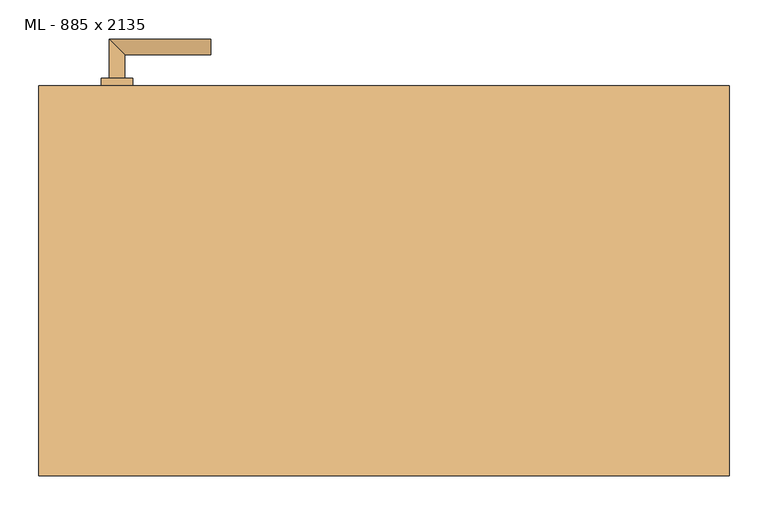
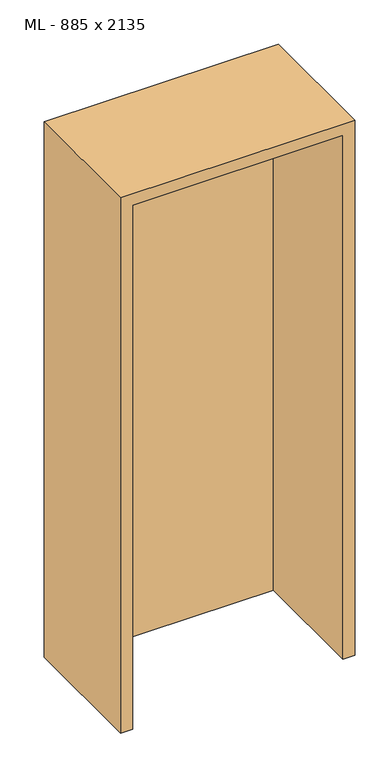
"""IFC4 building model written with IfcOpenShell, lengths in millimetres: door geometry, ML - 885 x 2135."""

from ifc_helpers import new_model, si_unit, point, frame, frame_2d, origin, origin_with_axes, place, context, project, spatial, polyline, circle_curve, ellipse_curve, trimmed, segment, composite_curve, outline, extrude, faceted_brep, source, transform, mapped, element, save
from ifc_brep_helpers import plane_surface, cylinder_surface, advanced_brep


def ml_885_x_2135_7caa8aa1(model_context):
    return source(origin(), model_context, "Body", "SolidModel", [
        extrude(outline(polyline([(408.5, 250.0), (408.5, 205.0), (-408.5, 205.0), (-408.5, 250.0), (408.5, 250.0)])), origin_with_axes(), (0.0, 0.0, 1.0), 2101.0),
        advanced_brep(
        [(-332.5, 260.0, 1050.0), (-352.5, 260.0, 1050.0), (-332.5, 290.0, 1050.0), (-352.5, 310.0, 1050.0), (-222.5, 290.0, 1050.0), (-222.5, 310.0, 1050.0)],
        [
            (0, 1, circle_curve(frame((-342.5, 260.0, 1050.0), z_axis=(0.0, -1.0, 0.0), x_axis=(-1.0, 0.0, 0.0)), 10.0)),
            (1, 0, circle_curve(frame((-342.5, 260.0, 1050.0), z_axis=(0.0, -1.0, 0.0), x_axis=(-1.0, 0.0, 0.0)), 10.0)),
            (0, 2),
            (2, 3, ellipse_curve(frame((-342.5, 300.0, 1050.0), z_axis=(-0.7071067811865531, -0.7071067811865419, 0.0), x_axis=(0.707106781186542, -0.707106781186553, 0.0)), 14.1421356, 10.0)),
            (3, 1),
            (3, 2, ellipse_curve(frame((-342.5, 300.0, 1050.0), z_axis=(-0.7071067811865531, -0.7071067811865419, 0.0), x_axis=(0.707106781186542, -0.707106781186553, 0.0)), 14.1421356, 10.0)),
            (4, 5, circle_curve(frame((-222.5, 300.0, 1050.0), z_axis=(1.0, 0.0, 0.0), x_axis=(0.0, 1.0, 0.0)), 10.0)),
            (5, 4, circle_curve(frame((-222.5, 300.0, 1050.0), z_axis=(1.0, 0.0, 0.0), x_axis=(0.0, 1.0, 0.0)), 10.0)),
            (2, 4),
            (5, 3),
        ],
        [
            plane_surface(frame((-342.5, 260.0, 1050.0), z_axis=(0.0, -1.0, 0.0), x_axis=(0.0, 0.0, 1.0))),
            cylinder_surface(frame((-342.5, 260.0, 1050.0), z_axis=(0.0, -1.0, 0.0), x_axis=(-1.0, 0.0, 0.0)), 10.0),
            plane_surface(frame((-222.5, 300.0, 1050.0), z_axis=(1.0, 0.0, 0.0), x_axis=(0.0, 0.0, 1.0))),
            cylinder_surface(frame((-342.5, 300.0, 1050.0), z_axis=(-1.0, 0.0, 0.0), x_axis=(0.0, 1.0, 0.0)), 10.0),
        ],
        [
            (0, [[1, 2]]),
            (1, [[-1, 3, 4, 5]]),
            (1, [[-2, -5, 6, -3]]),
            (2, [[7, 8]]),
            (3, [[-4, 9, -8, 10]]),
            (3, [[-6, -10, -7, -9]]),
        ],
    ),
        extrude(outline(composite_curve([segment(trimmed(circle_curve(frame_2d((990.0, -342.5)), 20.0), [point((990.0, -362.5))], [point((990.0, -322.5))], False, "CARTESIAN"), True, "CONTINUOUS"), segment(trimmed(circle_curve(frame_2d((990.0, -342.5)), 20.0), [point((990.0, -322.5))], [point((990.0, -362.5))], False, "CARTESIAN"), True, "CONTINUOUS")], self_intersect=False), holes=[composite_curve([segment(polyline([(976.4601385, -344.897268), (988.4749012, -344.897268)]), True, "CONTINUOUS"), segment(trimmed(circle_curve(frame_2d((995.0361633, -342.5)), 6.9854888), [point((988.4749012, -344.897268))], [point((988.4749012, -340.102732))], True, "CARTESIAN"), True, "CONTINUOUS"), segment(polyline([(988.4749012, -340.102732), (976.4601385, -340.102732)]), True, "CONTINUOUS"), segment(trimmed(circle_curve(frame_2d((976.4601385, -342.5)), 2.397268), [point((976.4601385, -340.102732))], [point((976.4601385, -344.897268))], True, "CARTESIAN"), True, "CONTINUOUS")], self_intersect=False)]), frame((0.0, 250.0, 0.0), z_axis=(0.0, 1.0, 0.0), x_axis=(0.0, 0.0, 1.0)), (0.0, 0.0, 1.0), 10.0),
        advanced_brep(
        [(-332.5, 260.0, 1050.0), (-352.5, 260.0, 1050.0), (-332.5, 290.0, 1050.0), (-352.5, 310.0, 1050.0), (-222.5, 290.0, 1050.0), (-222.5, 310.0, 1050.0)],
        [
            (0, 1, circle_curve(frame((-342.5, 260.0, 1050.0), z_axis=(0.0, -1.0, 0.0), x_axis=(-1.0, 0.0, 0.0)), 10.0)),
            (1, 0, circle_curve(frame((-342.5, 260.0, 1050.0), z_axis=(0.0, -1.0, 0.0), x_axis=(-1.0, 0.0, 0.0)), 10.0)),
            (0, 2),
            (2, 3, ellipse_curve(frame((-342.5, 300.0, 1050.0), z_axis=(-0.7071067811865537, -0.7071067811865414, 0.0), x_axis=(0.7071067811865414, -0.7071067811865536, 0.0)), 14.1421356, 10.0)),
            (3, 1),
            (3, 2, ellipse_curve(frame((-342.5, 300.0, 1050.0), z_axis=(-0.7071067811865537, -0.7071067811865414, 0.0), x_axis=(0.7071067811865414, -0.7071067811865536, 0.0)), 14.1421356, 10.0)),
            (4, 5, circle_curve(frame((-222.5, 300.0, 1050.0), z_axis=(1.0, 0.0, 0.0), x_axis=(0.0, 1.0, 0.0)), 10.0)),
            (5, 4, circle_curve(frame((-222.5, 300.0, 1050.0), z_axis=(1.0, 0.0, 0.0), x_axis=(0.0, 1.0, 0.0)), 10.0)),
            (2, 4),
            (5, 3),
        ],
        [
            plane_surface(frame((-342.5, 260.0, 1050.0), z_axis=(0.0, -1.0, 0.0), x_axis=(0.0, 0.0, 1.0))),
            cylinder_surface(frame((-342.5, 260.0, 1050.0), z_axis=(0.0, -1.0, 0.0), x_axis=(-1.0, 0.0, 0.0)), 10.0),
            plane_surface(frame((-222.5, 300.0, 1050.0), z_axis=(1.0, 0.0, 0.0), x_axis=(0.0, 0.0, 1.0))),
            cylinder_surface(frame((-342.5, 300.0, 1050.0), z_axis=(-1.0, 0.0, 0.0), x_axis=(0.0, 1.0, 0.0)), 10.0),
        ],
        [
            (0, [[1, 2]]),
            (1, [[-1, 3, 4, 5]]),
            (1, [[-2, -5, 6, -3]]),
            (2, [[7, 8]]),
            (3, [[-4, 9, -8, 10]]),
            (3, [[-6, -10, -7, -9]]),
        ],
    ),
        extrude(outline(composite_curve([segment(trimmed(circle_curve(frame_2d((1050.0, -342.5)), 20.0), [point((1050.0, -362.5))], [point((1050.0, -322.5))], False, "CARTESIAN"), True, "CONTINUOUS"), segment(trimmed(circle_curve(frame_2d((1050.0, -342.5)), 20.0), [point((1050.0, -322.5))], [point((1050.0, -362.5))], False, "CARTESIAN"), True, "CONTINUOUS")], self_intersect=False)), frame((0.0, 250.0, 0.0), z_axis=(0.0, 1.0, 0.0), x_axis=(0.0, 0.0, 1.0)), (0.0, 0.0, 1.0), 10.0),
        advanced_brep(
        [(-332.5, 195.0, 1050.0), (-352.5, 195.0, 1050.0), (-352.5, 145.0, 1050.0), (-332.5, 165.0, 1050.0), (-222.5, 165.0, 1050.0), (-222.5, 145.0, 1050.0)],
        [
            (0, 1, circle_curve(frame((-342.5, 195.0, 1050.0), z_axis=(0.0, 1.0, 0.0), x_axis=(-1.0, 0.0, 0.0)), 10.0)),
            (1, 0, circle_curve(frame((-342.5, 195.0, 1050.0), z_axis=(0.0, 1.0, 0.0), x_axis=(-1.0, 0.0, 0.0)), 10.0)),
            (1, 2),
            (2, 3, ellipse_curve(frame((-342.5, 155.0, 1050.0), z_axis=(-0.7071067811865486, 0.7071067811865464, 0.0), x_axis=(0.7071067811865464, 0.7071067811865488, 0.0)), 14.1421356, 10.0)),
            (3, 0),
            (3, 2, ellipse_curve(frame((-342.5, 155.0, 1050.0), z_axis=(-0.7071067811865486, 0.7071067811865464, 0.0), x_axis=(0.7071067811865464, 0.7071067811865488, 0.0)), 14.1421356, 10.0)),
            (4, 5, circle_curve(frame((-222.5, 155.0, 1050.0), z_axis=(1.0, 0.0, 0.0), x_axis=(0.0, -1.0, 0.0)), 10.0)),
            (5, 4, circle_curve(frame((-222.5, 155.0, 1050.0), z_axis=(1.0, 0.0, 0.0), x_axis=(0.0, -1.0, 0.0)), 10.0)),
            (2, 5),
            (4, 3),
        ],
        [
            plane_surface(frame((-342.5, 195.0, 1050.0), z_axis=(0.0, 1.0, 0.0), x_axis=(0.0, 0.0, 1.0))),
            cylinder_surface(frame((-342.5, 195.0, 1050.0), z_axis=(0.0, 1.0, 0.0), x_axis=(-1.0, 0.0, 0.0)), 10.0),
            plane_surface(frame((-222.5, 155.0, 1050.0), z_axis=(1.0, 0.0, 0.0), x_axis=(0.0, 0.0, 1.0))),
            cylinder_surface(frame((-342.5, 155.0, 1050.0), z_axis=(-1.0, 0.0, 0.0), x_axis=(0.0, -1.0, 0.0)), 10.0),
        ],
        [
            (0, [[1, 2]]),
            (1, [[3, 4, 5, -2]]),
            (1, [[-5, 6, -3, -1]]),
            (2, [[7, 8]]),
            (3, [[9, -7, 10, -4]]),
            (3, [[-10, -8, -9, -6]]),
        ],
    ),
        extrude(outline(composite_curve([segment(trimmed(circle_curve(frame_2d((990.0, -342.5)), 20.0), [point((990.0, -362.5))], [point((990.0, -322.5))], False, "CARTESIAN"), True, "CONTINUOUS"), segment(trimmed(circle_curve(frame_2d((990.0, -342.5)), 20.0), [point((990.0, -322.5))], [point((990.0, -362.5))], False, "CARTESIAN"), True, "CONTINUOUS")], self_intersect=False), holes=[composite_curve([segment(polyline([(976.4601385, -344.897268), (988.4749012, -344.897268)]), True, "CONTINUOUS"), segment(trimmed(circle_curve(frame_2d((995.0361633, -342.5)), 6.9854888), [point((988.4749012, -344.897268))], [point((988.4749012, -340.102732))], True, "CARTESIAN"), True, "CONTINUOUS"), segment(polyline([(988.4749012, -340.102732), (976.4601385, -340.102732)]), True, "CONTINUOUS"), segment(trimmed(circle_curve(frame_2d((976.4601385, -342.5)), 2.397268), [point((976.4601385, -340.102732))], [point((976.4601385, -344.897268))], True, "CARTESIAN"), True, "CONTINUOUS")], self_intersect=False)]), frame((0.0, 195.0, 0.0), z_axis=(0.0, 1.0, 0.0), x_axis=(0.0, 0.0, 1.0)), (0.0, 0.0, 1.0), 10.0),
        advanced_brep(
        [(-332.5, 195.0, 1050.0), (-352.5, 195.0, 1050.0), (-352.5, 145.0, 1050.0), (-332.5, 165.0, 1050.0), (-222.5, 165.0, 1050.0), (-222.5, 145.0, 1050.0)],
        [
            (0, 1, circle_curve(frame((-342.5, 195.0, 1050.0), z_axis=(0.0, 1.0, 0.0), x_axis=(-1.0, 0.0, 0.0)), 10.0)),
            (1, 0, circle_curve(frame((-342.5, 195.0, 1050.0), z_axis=(0.0, 1.0, 0.0), x_axis=(-1.0, 0.0, 0.0)), 10.0)),
            (1, 2),
            (2, 3, ellipse_curve(frame((-342.5, 155.0, 1050.0), z_axis=(-0.7071067811865491, 0.7071067811865459, 0.0), x_axis=(0.7071067811865458, 0.7071067811865492, 0.0)), 14.1421356, 10.0)),
            (3, 0),
            (3, 2, ellipse_curve(frame((-342.5, 155.0, 1050.0), z_axis=(-0.7071067811865491, 0.7071067811865459, 0.0), x_axis=(0.7071067811865458, 0.7071067811865492, 0.0)), 14.1421356, 10.0)),
            (4, 5, circle_curve(frame((-222.5, 155.0, 1050.0), z_axis=(1.0, 0.0, 0.0), x_axis=(0.0, -1.0, 0.0)), 10.0)),
            (5, 4, circle_curve(frame((-222.5, 155.0, 1050.0), z_axis=(1.0, 0.0, 0.0), x_axis=(0.0, -1.0, 0.0)), 10.0)),
            (2, 5),
            (4, 3),
        ],
        [
            plane_surface(frame((-342.5, 195.0, 1050.0), z_axis=(0.0, 1.0, 0.0), x_axis=(0.0, 0.0, 1.0))),
            cylinder_surface(frame((-342.5, 195.0, 1050.0), z_axis=(0.0, 1.0, 0.0), x_axis=(-1.0, 0.0, 0.0)), 10.0),
            plane_surface(frame((-222.5, 155.0, 1050.0), z_axis=(1.0, 0.0, 0.0), x_axis=(0.0, 0.0, 1.0))),
            cylinder_surface(frame((-342.5, 155.0, 1050.0), z_axis=(-1.0, 0.0, 0.0), x_axis=(0.0, -1.0, 0.0)), 10.0),
        ],
        [
            (0, [[1, 2]]),
            (1, [[3, 4, 5, -2]]),
            (1, [[-5, 6, -3, -1]]),
            (2, [[7, 8]]),
            (3, [[9, -7, 10, -4]]),
            (3, [[-10, -8, -9, -6]]),
        ],
    ),
        extrude(outline(composite_curve([segment(trimmed(circle_curve(frame_2d((1050.0, -342.5)), 20.0), [point((1050.0, -362.5))], [point((1050.0, -322.5))], False, "CARTESIAN"), True, "CONTINUOUS"), segment(trimmed(circle_curve(frame_2d((1050.0, -342.5)), 20.0), [point((1050.0, -322.5))], [point((1050.0, -362.5))], False, "CARTESIAN"), True, "CONTINUOUS")], self_intersect=False)), frame((0.0, 195.0, 0.0), z_axis=(0.0, 1.0, 0.0), x_axis=(0.0, 0.0, 1.0)), (0.0, 0.0, 1.0), 10.0),
        faceted_brep([(-412.5, 250.0, 0.0), (-412.5, 205.0, 0.0), (-397.5, 205.0, 0.0), (-397.5, -250.0, 0.0), (-442.5, -250.0, 0.0), (-442.5, 250.0, 0.0), (-412.5, 250.0, 2105.0), (-412.5, 205.0, 2105.0), (412.5, 205.0, 2105.0), (412.5, 205.0, 0.0), (397.5, 205.0, 0.0), (397.5, 205.0, 2090.0), (-397.5, 205.0, 2090.0), (-397.5, -250.0, 2090.0), (397.5, -250.0, 2090.0), (397.5, -250.0, 0.0), (442.5, -250.0, 0.0), (442.5, -250.0, 2135.0), (-442.5, -250.0, 2135.0), (-442.5, 250.0, 2135.0), (442.5, 250.0, 2135.0), (442.5, 250.0, 0.0), (412.5, 250.0, 0.0), (412.5, 250.0, 2105.0)], [[[0, 1, 2, 3, 4, 5]], [[1, 0, 6, 7]], [[2, 1, 7, 8, 9, 10, 11, 12]], [[3, 2, 12, 13]], [[4, 3, 13, 14, 15, 16, 17, 18]], [[5, 4, 18, 19]], [[0, 5, 19, 20, 21, 22, 23, 6]], [[20, 17, 16, 21]], [[22, 21, 16, 15, 10, 9]], [[8, 23, 22, 9]], [[14, 11, 10, 15]], [[19, 18, 17, 20]], [[13, 12, 11, 14]], [[7, 6, 23, 8]]]),
    ])


if __name__ == "__main__":
    model = new_model("IFC4")
    model_context = context("Model", 3, world=origin())
    ifc_project = project(units=[si_unit("LENGTHUNIT", "METRE", prefix="MILLI")], contexts=[model_context])
    site = spatial("IfcSite", under=ifc_project)
    building = spatial("IfcBuilding", under=site)
    placement = place(None, origin())
    ml_885_x_2135_shape = ml_885_x_2135_7caa8aa1(model_context)
    element("IfcDoor", 1, ObjectType="ML - 885 x 2135", at=placement, inside=building, context=model_context, shape_type="MappedRepresentation", body=[
        mapped(ml_885_x_2135_shape, transform((0.0, 0.0, 0.0), x_axis=(1.0, 0.0, 0.0), y_axis=(0.0, 1.0, 0.0), z_axis=(0.0, 0.0, 1.0))),
    ])
    save(model, "model.ifc")
